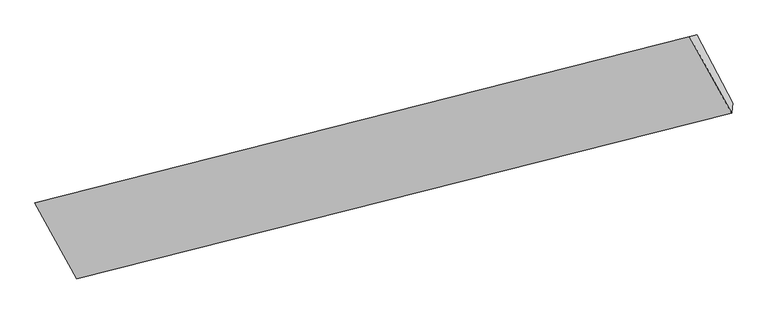
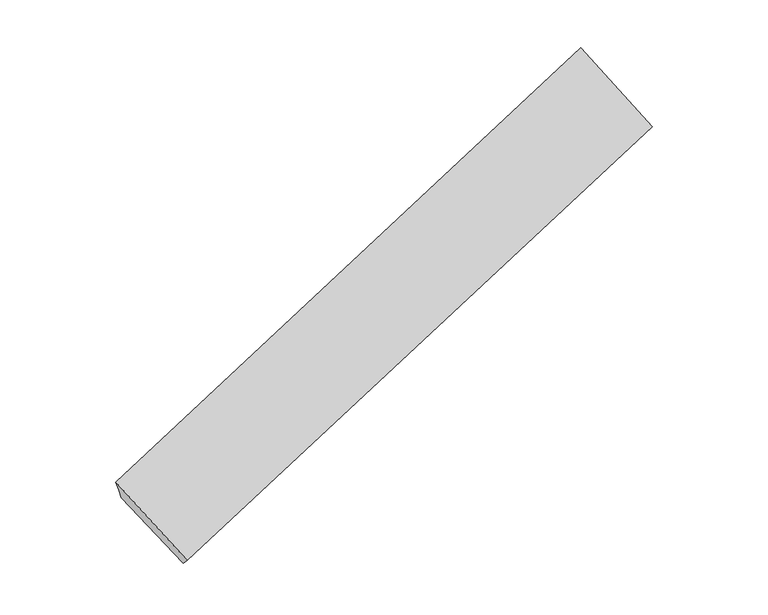
"""IFC4 building model written with IfcOpenShell, lengths in millimetres: proxy geometry."""

import ifcopenshell
import ifcopenshell.guid

model = None  # the IFC model being written
_history = None  # IfcOwnerHistory: only IFC2X3 demands one
_inside = {}  # id of a spatial element -> (the spatial element, [elements in it])
_under = {}  # id of a project, library or spatial element -> (it, [spatial elements below it])
_declared = {}  # id of a project -> (the project, [libraries it declares])
_typed = {}  # id of a type object -> (the type object, [elements of that type])
_made_of = {}  # id of a material, layer set ... -> (it, [elements and type objects made of it])


def new_model(schema):
    """Start an empty IFC model of exactly this schema.

    Asked for "IFC4X3", IfcOpenShell would pick the latest addendum, in which some entities
    have other attributes; the version numbers below select the first issue.
    IFC2X3 requires an IfcOwnerHistory on every rooted entity: one is made here for all.
    """
    global model, _history
    if schema == "IFC4X3":
        model = ifcopenshell.file(schema_version=(4, 3, 0, 0))
    else:
        model = ifcopenshell.file(schema=schema)
    _inside.clear()
    _under.clear()
    _declared.clear()
    _typed.clear()
    _made_of.clear()
    _history = None
    if model.schema == "IFC2X3":
        org = make("IfcOrganization", Name="unknown")
        user = make(
            "IfcPersonAndOrganization",
            ThePerson=make("IfcPerson", FamilyName="unknown"),
            TheOrganization=org,
        )
        app = make(
            "IfcApplication",
            ApplicationDeveloper=org,
            Version="unknown",
            ApplicationFullName="unknown",
            ApplicationIdentifier="unknown",
        )
        _history = make(
            "IfcOwnerHistory",
            OwningUser=user,
            OwningApplication=app,
            ChangeAction="ADDED",
            CreationDate=0,
        )
    return model


def make(cls, **values):
    """One entity of the class cls with the attributes given. An attribute that is None is left unset."""
    return model.create_entity(
        cls, **{name: value for name, value in values.items() if value is not None}
    )


def rooted(cls, **values):
    """An entity with a GlobalId (a new one), such as an element, a storey or a relation."""
    return make(cls, GlobalId=ifcopenshell.guid.new(), OwnerHistory=_history, **values)


def si_unit(unit_type, name, prefix=None):
    """IfcSIUnit, for example si_unit("LENGTHUNIT", "METRE", prefix="MILLI")."""
    return make("IfcSIUnit", UnitType=unit_type, Prefix=prefix, Name=name)


def assignment(units):
    """IfcUnitAssignment: the units of a project."""
    return None if units is None else make("IfcUnitAssignment", Units=units)


def point(xyz):
    """IfcCartesianPoint."""
    return None if xyz is None else make("IfcCartesianPoint", Coordinates=xyz)


def direction(xyz):
    """IfcDirection."""
    return None if xyz is None else make("IfcDirection", DirectionRatios=xyz)


def frame(location, z_axis=None, x_axis=None):
    """IfcAxis2Placement3D, a coordinate frame: its origin and axes. An axis left out is left unset."""
    return make(
        "IfcAxis2Placement3D",
        Location=point(location),
        Axis=direction(z_axis),
        RefDirection=direction(x_axis),
    )


def origin():
    """The frame at (0, 0, 0) with its axes left unset."""
    return frame((0.0, 0.0, 0.0))


def place(relative_to, where):
    """IfcLocalPlacement: puts the frame where relative to a parent placement (None: the world)."""
    return make(
        "IfcLocalPlacement", PlacementRelTo=relative_to, RelativePlacement=where
    )


def context(
    kind, dimensions, precision=None, world=None, true_north=None, identifier=None
):
    """IfcGeometricRepresentationContext, for example the 3D "Model" context."""
    return make(
        "IfcGeometricRepresentationContext",
        ContextIdentifier=identifier,
        ContextType=kind,
        CoordinateSpaceDimension=dimensions,
        Precision=precision,
        WorldCoordinateSystem=world,
        TrueNorth=true_north,
    )


def project(units=None, contexts=None):
    """IfcProject with its units and contexts."""
    return rooted(
        "IfcProject",
        Name="project",
        RepresentationContexts=contexts,
        UnitsInContext=assignment(units),
    )


def spatial(cls, under=None, at=None, **own):
    """A site, building, storey or space (cls), placed at a placement, below another one or the project."""
    s = rooted(cls, ObjectPlacement=at, **own)
    if under is not None:
        _under.setdefault(under.id(), (under, []))[1].append(s)
    return s


def shape(context_of_items, identifier, shape_type, items):
    """IfcShapeRepresentation: the items that make up one representation, for example the "Body"."""
    return make(
        "IfcShapeRepresentation",
        ContextOfItems=context_of_items,
        RepresentationIdentifier=identifier,
        RepresentationType=shape_type,
        Items=items,
    )


def source(mapping_origin, context_of_items, identifier, shape_type, items):
    """IfcRepresentationMap: a shape defined once, which mapped items show again and again."""
    return make(
        "IfcRepresentationMap",
        MappingOrigin=mapping_origin,
        MappedRepresentation=shape(context_of_items, identifier, shape_type, items),
    )


def transform(
    local_origin,
    x_axis=None,
    y_axis=None,
    z_axis=None,
    scale=None,
    scale2=None,
    scale3=None,
    uniform=True,
):
    """IfcCartesianTransformationOperator3D, or its non-uniform kind. x_axis, y_axis, z_axis: its Axis1, 2, 3."""
    if uniform:
        return make(
            "IfcCartesianTransformationOperator3D",
            Axis1=direction(x_axis),
            Axis2=direction(y_axis),
            LocalOrigin=point(local_origin),
            Scale=scale,
            Axis3=direction(z_axis),
        )
    return make(
        "IfcCartesianTransformationOperator3DnonUniform",
        Axis1=direction(x_axis),
        Axis2=direction(y_axis),
        LocalOrigin=point(local_origin),
        Scale=scale,
        Axis3=direction(z_axis),
        Scale2=scale2,
        Scale3=scale3,
    )


def mapped(mapping_source, mapping_target):
    """IfcMappedItem: shows the shape of a source again, moved by a transform."""
    return make(
        "IfcMappedItem", MappingSource=mapping_source, MappingTarget=mapping_target
    )


def made_of(thing, what):
    """Note that an element or type object is made of a material, layer set ...; save() writes the relation."""
    if what is not None:
        _made_of.setdefault(what.id(), (what, []))[1].append(thing)
    return thing


def element(
    cls,
    number,
    at=None,
    inside=None,
    cuts=None,
    type_object=None,
    material=None,
    context=None,
    identifier="Body",
    shape_type=None,
    held_by="IfcProductDefinitionShape",
    body=None,
    shapes=None,
    **own,
):
    """One element of the class cls, such as IfcWall. Its Tag is "e" and its number.

    at: its placement. inside: the storey or other place that contains it. cuts: it is an
    opening in that element (IfcRelVoidsElement). A single representation is given by context,
    identifier, shape_type and body (its items); several are given by shapes. held_by: the class
    of the entity that holds the representations. save() writes the other relations.
    """
    e = rooted(cls, Tag="e%d" % number, ObjectPlacement=at, **own)
    if body is not None:
        shapes = [shape(context, identifier, shape_type, body)]
    if shapes is not None:
        e.Representation = make(held_by, Representations=shapes)
    if inside is not None:
        _inside.setdefault(inside.id(), (inside, []))[1].append(e)
    if cuts is not None:
        rooted(
            "IfcRelVoidsElement", RelatingBuildingElement=cuts, RelatedOpeningElement=e
        )
    if type_object is not None:
        _typed.setdefault(type_object.id(), (type_object, []))[1].append(e)
    return made_of(e, material)


def aggregate(whole, parts):
    """IfcRelAggregates: a whole, such as a stair, and the parts it consists of."""
    return rooted("IfcRelAggregates", RelatingObject=whole, RelatedObjects=parts)


def save(model, path):
    """Write the relations noted so far, then the file.

    IfcRelAggregates (storeys below a building ...), IfcRelContainedInSpatialStructure (elements
    in a storey), IfcRelDefinesByType, IfcRelAssociatesMaterial and IfcRelDeclares: one each for
    every whole, place, type object, material and project.
    """
    for whole, parts in _under.values():
        aggregate(whole, parts)
    for where, things in _inside.values():
        rooted(
            "IfcRelContainedInSpatialStructure",
            RelatedElements=things,
            RelatingStructure=where,
        )
    for kind, things in _typed.values():
        rooted("IfcRelDefinesByType", RelatedObjects=things, RelatingType=kind)
    for what, things in _made_of.values():
        rooted("IfcRelAssociatesMaterial", RelatedObjects=things, RelatingMaterial=what)
    for by, libraries in _declared.values():
        rooted("IfcRelDeclares", RelatingContext=by, RelatedDefinitions=libraries)
    model.write(path)


def plane_surface(at):
    """IfcPlane: the flat surface through the origin of the frame at, square to its z axis."""
    return make("IfcPlane", Position=at)


def spline_surface(u_degree, v_degree, points, u_multiplicities, v_multiplicities, u_knots, v_knots, weights=None):
    """IfcBSplineSurfaceWithKnots; with weights, IfcRationalBSplineSurfaceWithKnots. points: one row for each step in u."""
    own = dict(
        UDegree=u_degree,
        VDegree=v_degree,
        ControlPointsList=[[point(p) for p in row] for row in points],
        SurfaceForm="UNSPECIFIED",
        UClosed=False,
        VClosed=False,
        SelfIntersect=False,
        UMultiplicities=u_multiplicities,
        VMultiplicities=v_multiplicities,
        UKnots=u_knots,
        VKnots=v_knots,
        KnotSpec="UNSPECIFIED",
    )
    if weights is None:
        return make("IfcBSplineSurfaceWithKnots", **own)
    return make("IfcRationalBSplineSurfaceWithKnots", WeightsData=weights, **own)


def advanced_brep(points, edges, surfaces, faces):
    """IfcAdvancedBrep: a solid bounded by faces that lie on surfaces and meet in shared edges.

    An edge is (start, end): straight between two places in points (the first is 0);
    or (start, end, curve); or (start, end, curve, False) where it runs against its curve.
    A face is (place in surfaces, loops), or (place, loops, False) where it looks against
    its surface's normal. A loop lists edges by number (the first is 1), with a minus sign
    where the edge is run from its end to its start. The first loop is the outer one.
    """
    corners = [point(p) for p in points]
    vertices = [make("IfcVertexPoint", VertexGeometry=c) for c in corners]
    made = []
    for start, end, *more in edges:
        made.append(
            make(
                "IfcEdgeCurve",
                EdgeStart=vertices[start],
                EdgeEnd=vertices[end],
                EdgeGeometry=more[0] if more else make("IfcPolyline", Points=[corners[start], corners[end]]),
                SameSense=more[1] if len(more) > 1 else True,
            )
        )
    hull = []
    for where, loops, *sense in faces:
        bounds = []
        for j, loop in enumerate(loops):
            ring = [make("IfcOrientedEdge", EdgeElement=made[abs(k) - 1], Orientation=k > 0) for k in loop]
            bounds.append(
                make(
                    "IfcFaceOuterBound" if j == 0 else "IfcFaceBound",
                    Bound=make("IfcEdgeLoop", EdgeList=ring),
                    Orientation=True,
                )
            )
        hull.append(make("IfcAdvancedFace", Bounds=bounds, FaceSurface=surfaces[where], SameSense=sense[0] if sense else True))
    return make("IfcAdvancedBrep", Outer=make("IfcClosedShell", CfsFaces=hull))


def generic_models_38f37178(model_context):
    return source(origin(), model_context, "Body", "AdvancedBrep", [
        advanced_brep(
        [(-6933.2642345, -3136.5697049, -115.1846101), (-7405.9127493, -2229.2157331, 617.4529653), (1368.3995338, 10.7285082, 3582.8094642), (1846.6429371, -902.9601654, 2838.1340971), (-7455.5938841, -2237.908858, 773.9505025), (1318.4802838, -0.4116821, 3741.8943629), (-7505.2750188, -2246.6019828, 930.4480397), (1268.5610339, -11.5518724, 3900.9792616), (-6945.6720776, -3264.0827623, 19.639073), (1833.4415405, -1038.6284224, 2981.5805367), (-6939.4681561, -3200.3262336, -47.7727686), (1840.0422388, -970.7942939, 2909.8573169)],
        [
            (0, 1),
            (1, 2),
            (2, 3),
            (3, 0),
            (1, 4),
            (4, 5),
            (5, 2),
            (4, 6),
            (6, 7),
            (7, 5),
            (6, 8),
            (8, 9),
            (9, 7),
            (8, 10),
            (10, 11),
            (11, 9),
            (10, 0),
            (3, 11),
        ],
        [
            spline_surface(1, 1, [[(-6933.2642345, -3136.5697049, -115.1846101), (1846.6429371, -902.9601654, 2838.1340971)], [(-7405.9127493, -2229.2157331, 617.4529653), (1368.3995338, 10.7285082, 3582.8094642)]], [2, 2], [2, 2], [0.0, 1.0], [0.0, 1.0]),
            spline_surface(1, 1, [[(-7405.9127493, -2229.2157331, 617.4529653), (1368.3995338, 10.7285082, 3582.8094642)], [(-7455.5938841, -2237.908858, 773.9505025), (1318.4802838, -0.4116821, 3741.8943629)]], [2, 2], [2, 2], [0.0, 1.0], [0.0, 1.0]),
            spline_surface(1, 1, [[(-7455.5938841, -2237.908858, 773.9505025), (1318.4802838, -0.4116821, 3741.8943629)], [(-7505.2750188, -2246.6019828, 930.4480397), (1268.5610339, -11.5518724, 3900.9792616)]], [2, 2], [2, 2], [0.0, 1.0], [0.0, 1.0]),
            plane_surface(frame((-7225.4735482, -2755.3423726, 475.0435563), z_axis=(-0.0701687704949997, -0.686474231851911, 0.7237606459669861), x_axis=(0.37918530051746235, -0.6894419716592495, -0.6171614663814394))),
            plane_surface(frame((-6942.5701168, -3232.2044979, -14.0668478), z_axis=(0.38241861378455055, -0.6886183955870965, -0.6160849852821899), x_axis=(0.06671369355388998, 0.6856040146374266, -0.724911317476449))),
            plane_surface(frame((-6936.3661953, -3168.4479693, -81.4786893), z_axis=(0.3824186137845509, -0.6886183955870933, -0.616084985282193), x_axis=(0.06671369355389019, 0.68560401463743, -0.7249113174764457))),
            plane_surface(frame((1579.2612613, -485.602988, 3325.8758399), z_axis=(0.9229126670296427, 0.23370259482448555, 0.3059661847468354), x_axis=(0.0667136935538901, 0.6856040146374284, -0.7249113174764474))),
            plane_surface(frame((-7197.5310201, -2719.1175458, 363.088867), z_axis=(-0.9229126670296939, -0.23370259482439357, -0.30596618474675097), x_axis=(-0.0667136935538887, -0.6856040146374278, 0.724911317476448))),
        ],
        [
            (0, [[1, 2, 3, 4]]),
            (1, [[5, 6, 7, -2]]),
            (2, [[8, 9, 10, -6]]),
            (3, [[11, 12, 13, -9]]),
            (4, [[14, 15, 16, -12]]),
            (5, [[17, -4, 18, -15]]),
            (6, [[-16, -18, -3, -7, -10, -13]]),
            (7, [[-17, -14, -11, -8, -5, -1]]),
        ],
    ),
    ])


if __name__ == "__main__":
    model = new_model("IFC4")
    model_context = context("Model", 3, world=origin())
    ifc_project = project(units=[si_unit("LENGTHUNIT", "METRE", prefix="MILLI")], contexts=[model_context])
    site = spatial("IfcSite", under=ifc_project)
    building = spatial("IfcBuilding", under=site)
    placement = place(None, origin())
    generic_models_shape = generic_models_38f37178(model_context)
    element("IfcBuildingElementProxy", 1, Name="Generic Models", at=placement, inside=building, context=model_context, shape_type="MappedRepresentation", body=[
        mapped(generic_models_shape, transform((0.0, 0.0, 0.0), x_axis=(1.0, 0.0, 0.0), y_axis=(0.0, 1.0, 0.0), z_axis=(0.0, 0.0, 1.0))),
    ])
    save(model, "model.ifc")
